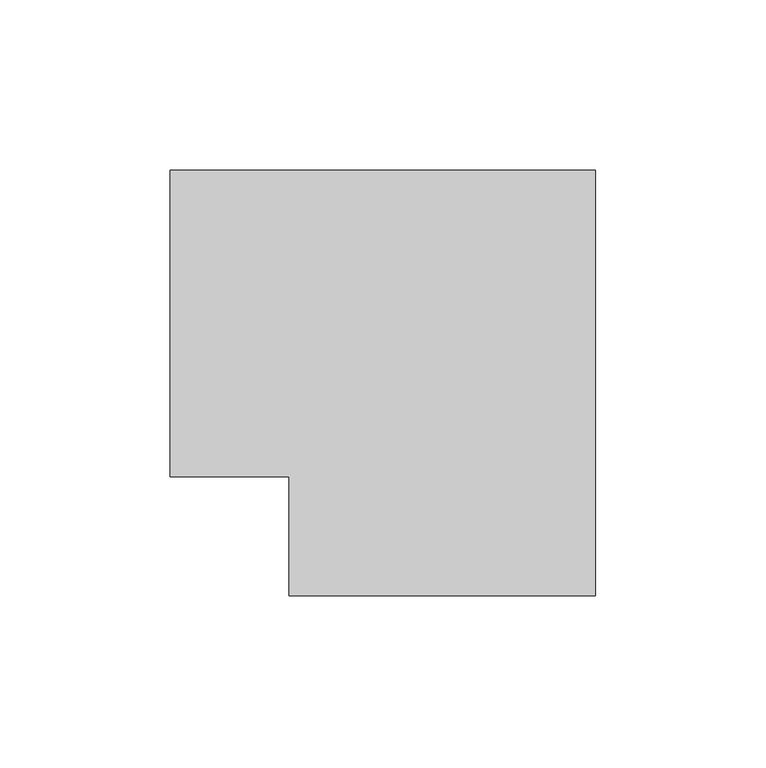
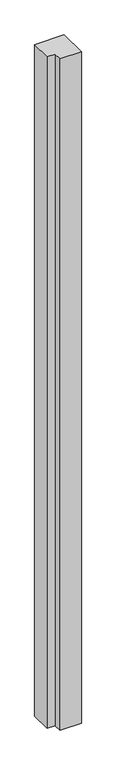
"""IFC4 building model written with IfcOpenShell, lengths in millimetres: member geometry."""

from ifc_helpers import new_model, si_unit, frame, origin, place, context, project, spatial, polyline, outline, extrude, source, transform, mapped, element, save


def member_df5163a5(model_context):
    return source(origin(), model_context, "Body", "SweptSolid", [
        extrude(outline(polyline([(-45.0, -80.0), (-45.0, -45.0), (-80.0, -45.0), (-80.0, 45.0), (45.0, 45.0), (45.0, -80.0), (-45.0, -80.0)])), frame((0.0, 0.0, -3000.0), z_axis=(0.0, 0.0, 1.0), x_axis=(1.0, 0.0, 0.0)), (0.0, 0.0, 1.0), 3000.0),
    ])


if __name__ == "__main__":
    model = new_model("IFC4")
    model_context = context("Model", 3, world=origin())
    ifc_project = project(units=[si_unit("LENGTHUNIT", "METRE", prefix="MILLI")], contexts=[model_context])
    site = spatial("IfcSite", under=ifc_project)
    building = spatial("IfcBuilding", under=site)
    placement = place(None, origin())
    member_shape = member_df5163a5(model_context)
    element("IfcMember", 1, at=placement, inside=building, context=model_context, shape_type="MappedRepresentation", body=[
        mapped(member_shape, transform((0.0, 0.0, 0.0), x_axis=(1.0, 0.0, 0.0), y_axis=(0.0, 1.0, 0.0), z_axis=(0.0, 0.0, 1.0))),
    ])
    save(model, "model.ifc")
